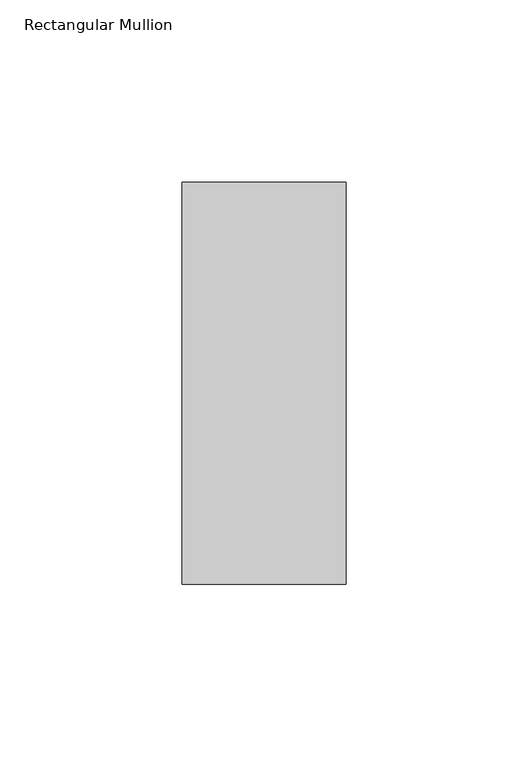
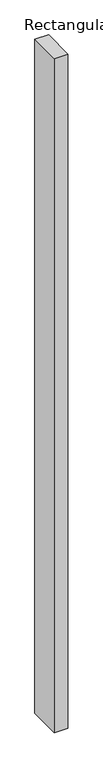
"""IFC4 building model written with IfcOpenShell, lengths in millimetres: member geometry, Rectangular Mullion."""

from ifc_helpers import new_model, si_unit, frame, origin, place, context, project, spatial, polyline, outline, extrude, source, transform, mapped, element, save


def rectangular_mullion_2bb8de5e(model_context):
    return source(origin(), model_context, "Body", "SweptSolid", [
        extrude(outline(polyline([(22.5, -70.7), (-22.5, -70.7), (-22.5, 39.7), (22.5, 39.7), (22.5, -70.7)])), frame((0.0, 0.0, -2348.4), z_axis=(0.0, 0.0, 1.0), x_axis=(1.0, 0.0, 0.0)), (0.0, 0.0, 1.0), 2348.4),
    ])


if __name__ == "__main__":
    model = new_model("IFC4")
    model_context = context("Model", 3, world=origin())
    ifc_project = project(units=[si_unit("LENGTHUNIT", "METRE", prefix="MILLI")], contexts=[model_context])
    site = spatial("IfcSite", under=ifc_project)
    building = spatial("IfcBuilding", under=site)
    placement = place(None, origin())
    rectangular_mullion_shape = rectangular_mullion_2bb8de5e(model_context)
    element("IfcMember", 1, ObjectType="Rectangular Mullion", at=placement, inside=building, context=model_context, shape_type="MappedRepresentation", body=[
        mapped(rectangular_mullion_shape, transform((0.0, 0.0, 0.0), x_axis=(1.0, 0.0, 0.0), y_axis=(0.0, 1.0, 0.0), z_axis=(0.0, 0.0, 1.0))),
    ])
    save(model, "model.ifc")
